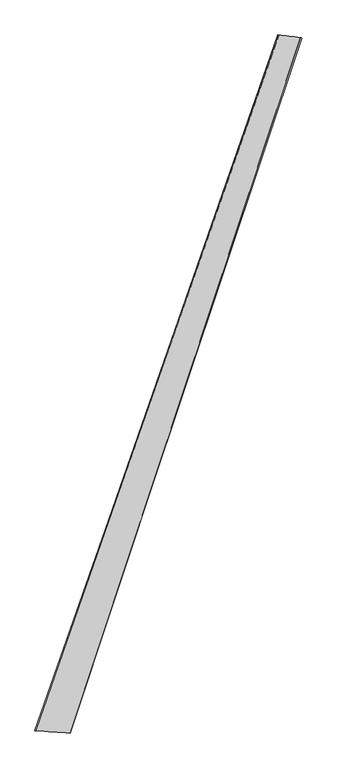
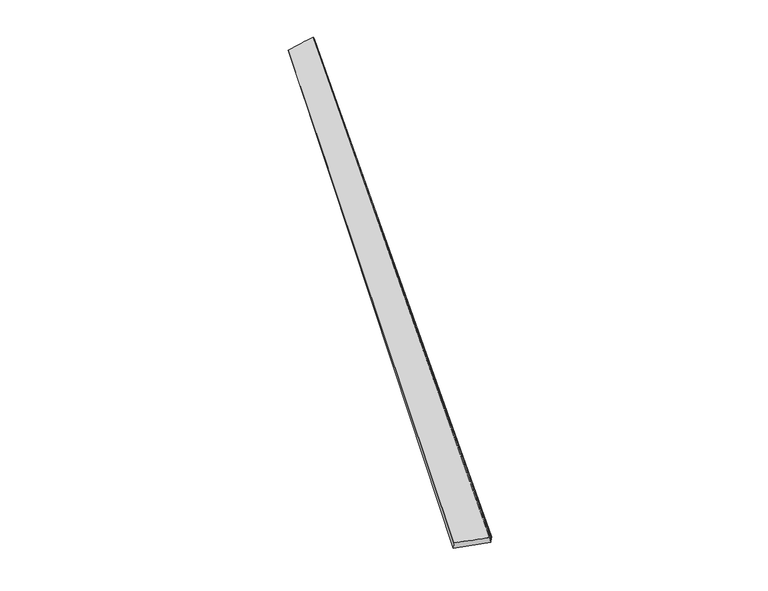
"""IFC4 building model written with IfcOpenShell, lengths in millimetres: proxy geometry."""

from ifc_helpers import new_model, si_unit, origin, place, context, project, spatial, source, transform, mapped, element, save
from ifc_brep_helpers import spline_surface, advanced_brep


def generic_models_3ff84c63(model_context):
    return source(origin(), model_context, "Body", "AdvancedBrep", [
        advanced_brep(
        [(-698.0288961, -1768.3398701, 13.2406503), (-694.6304487, -1769.284908, 43.0325529), (678.2845449, 2165.3598786, 8.5262987), (686.8106739, 2162.113734, -20.0528488), (-498.1075418, -1782.8478718, 16.3463064), (804.9170247, 2150.0574094, 48.6224619), (-502.5431382, -1781.1101248, -13.2730407), (813.7613604, 2147.3362609, 20.0852392)],
        [
            (0, 1),
            (1, 2),
            (2, 3),
            (3, 0),
            (1, 4),
            (4, 5),
            (5, 2),
            (4, 6),
            (6, 7),
            (7, 5),
            (6, 0),
            (3, 7),
        ],
        [
            spline_surface(1, 1, [[(-698.0288961, -1768.3398701, 13.2406503), (686.8106739, 2162.113734, -20.0528488)], [(-694.6304487, -1769.284908, 43.0325529), (678.2845449, 2165.3598786, 8.5262987)]], [2, 2], [2, 2], [0.0, 1.0], [0.0, 1.0]),
            spline_surface(1, 1, [[(-694.6304487, -1769.284908, 43.0325529), (678.2845449, 2165.3598786, 8.5262987)], [(-498.1075418, -1782.8478718, 16.3463064), (804.9170247, 2150.0574094, 48.6224619)]], [2, 2], [2, 2], [0.0, 1.0], [0.0, 1.0]),
            spline_surface(1, 1, [[(-498.1075418, -1782.8478718, 16.3463064), (804.9170247, 2150.0574094, 48.6224619)], [(-502.5431382, -1781.1101248, -13.2730407), (813.7613604, 2147.3362609, 20.0852392)]], [2, 2], [2, 2], [0.0, 1.0], [0.0, 1.0]),
            spline_surface(1, 1, [[(-502.5431382, -1781.1101248, -13.2730407), (813.7613604, 2147.3362609, 20.0852392)], [(-698.0288961, -1768.3398701, 13.2406503), (686.8106739, 2162.113734, -20.0528488)]], [2, 2], [2, 2], [0.0, 1.0], [0.0, 1.0]),
            spline_surface(1, 1, [[(678.2845449, 2165.3598786, 8.5262987), (686.8106739, 2162.113734, -20.0528488)], [(804.9170247, 2150.0574094, 48.6224619), (813.7613604, 2147.3362609, 20.0852392)]], [2, 2], [2, 2], [0.0, 1.0], [0.0, 1.0]),
            spline_surface(1, 1, [[(-502.5431382, -1781.1101248, -13.2730407), (-698.0288961, -1768.3398701, 13.2406503)], [(-498.1075418, -1782.8478718, 16.3463064), (-694.6304487, -1769.284908, 43.0325529)]], [2, 2], [2, 2], [0.0, 1.0], [0.0, 1.0]),
        ],
        [
            (0, [[1, 2, 3, 4]]),
            (1, [[5, 6, 7, -2]]),
            (2, [[8, 9, 10, -6]]),
            (3, [[11, -4, 12, -9]]),
            (4, [[-3, -7, -10, -12]]),
            (5, [[-11, -8, -5, -1]]),
        ],
    ),
    ])


if __name__ == "__main__":
    model = new_model("IFC4")
    model_context = context("Model", 3, world=origin())
    ifc_project = project(units=[si_unit("LENGTHUNIT", "METRE", prefix="MILLI")], contexts=[model_context])
    site = spatial("IfcSite", under=ifc_project)
    building = spatial("IfcBuilding", under=site)
    placement = place(None, origin())
    generic_models_shape = generic_models_3ff84c63(model_context)
    element("IfcBuildingElementProxy", 1, Name="Generic Models", at=placement, inside=building, context=model_context, shape_type="MappedRepresentation", body=[
        mapped(generic_models_shape, transform((0.0, 0.0, 0.0), x_axis=(1.0, 0.0, 0.0), y_axis=(0.0, 1.0, 0.0), z_axis=(0.0, 0.0, 1.0))),
    ])
    save(model, "model.ifc")
